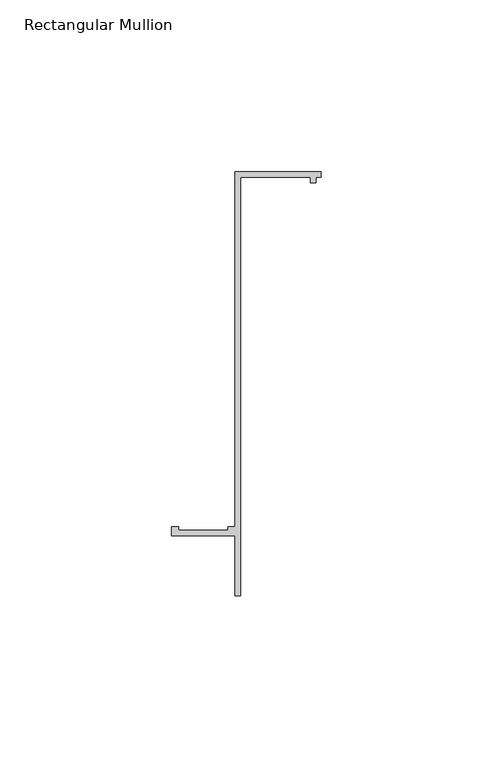
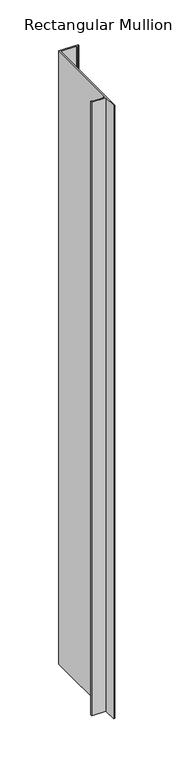
"""IFC4 building model written with IfcOpenShell, lengths in millimetres: member geometry, Rectangular Mullion."""

import ifcopenshell
import ifcopenshell.guid

model = None  # the IFC model being written
_history = None  # IfcOwnerHistory: only IFC2X3 demands one
_inside = {}  # id of a spatial element -> (the spatial element, [elements in it])
_under = {}  # id of a project, library or spatial element -> (it, [spatial elements below it])
_declared = {}  # id of a project -> (the project, [libraries it declares])
_typed = {}  # id of a type object -> (the type object, [elements of that type])
_made_of = {}  # id of a material, layer set ... -> (it, [elements and type objects made of it])


def new_model(schema):
    """Start an empty IFC model of exactly this schema.

    Asked for "IFC4X3", IfcOpenShell would pick the latest addendum, in which some entities
    have other attributes; the version numbers below select the first issue.
    IFC2X3 requires an IfcOwnerHistory on every rooted entity: one is made here for all.
    """
    global model, _history
    if schema == "IFC4X3":
        model = ifcopenshell.file(schema_version=(4, 3, 0, 0))
    else:
        model = ifcopenshell.file(schema=schema)
    _inside.clear()
    _under.clear()
    _declared.clear()
    _typed.clear()
    _made_of.clear()
    _history = None
    if model.schema == "IFC2X3":
        org = make("IfcOrganization", Name="unknown")
        user = make(
            "IfcPersonAndOrganization",
            ThePerson=make("IfcPerson", FamilyName="unknown"),
            TheOrganization=org,
        )
        app = make(
            "IfcApplication",
            ApplicationDeveloper=org,
            Version="unknown",
            ApplicationFullName="unknown",
            ApplicationIdentifier="unknown",
        )
        _history = make(
            "IfcOwnerHistory",
            OwningUser=user,
            OwningApplication=app,
            ChangeAction="ADDED",
            CreationDate=0,
        )
    return model


def make(cls, **values):
    """One entity of the class cls with the attributes given. An attribute that is None is left unset."""
    return model.create_entity(
        cls, **{name: value for name, value in values.items() if value is not None}
    )


def rooted(cls, **values):
    """An entity with a GlobalId (a new one), such as an element, a storey or a relation."""
    return make(cls, GlobalId=ifcopenshell.guid.new(), OwnerHistory=_history, **values)


def si_unit(unit_type, name, prefix=None):
    """IfcSIUnit, for example si_unit("LENGTHUNIT", "METRE", prefix="MILLI")."""
    return make("IfcSIUnit", UnitType=unit_type, Prefix=prefix, Name=name)


def assignment(units):
    """IfcUnitAssignment: the units of a project."""
    return None if units is None else make("IfcUnitAssignment", Units=units)


def point(xyz):
    """IfcCartesianPoint."""
    return None if xyz is None else make("IfcCartesianPoint", Coordinates=xyz)


def direction(xyz):
    """IfcDirection."""
    return None if xyz is None else make("IfcDirection", DirectionRatios=xyz)


def frame(location, z_axis=None, x_axis=None):
    """IfcAxis2Placement3D, a coordinate frame: its origin and axes. An axis left out is left unset."""
    return make(
        "IfcAxis2Placement3D",
        Location=point(location),
        Axis=direction(z_axis),
        RefDirection=direction(x_axis),
    )


def origin():
    """The frame at (0, 0, 0) with its axes left unset."""
    return frame((0.0, 0.0, 0.0))


def place(relative_to, where):
    """IfcLocalPlacement: puts the frame where relative to a parent placement (None: the world)."""
    return make(
        "IfcLocalPlacement", PlacementRelTo=relative_to, RelativePlacement=where
    )


def context(
    kind, dimensions, precision=None, world=None, true_north=None, identifier=None
):
    """IfcGeometricRepresentationContext, for example the 3D "Model" context."""
    return make(
        "IfcGeometricRepresentationContext",
        ContextIdentifier=identifier,
        ContextType=kind,
        CoordinateSpaceDimension=dimensions,
        Precision=precision,
        WorldCoordinateSystem=world,
        TrueNorth=true_north,
    )


def project(units=None, contexts=None):
    """IfcProject with its units and contexts."""
    return rooted(
        "IfcProject",
        Name="project",
        RepresentationContexts=contexts,
        UnitsInContext=assignment(units),
    )


def spatial(cls, under=None, at=None, **own):
    """A site, building, storey or space (cls), placed at a placement, below another one or the project."""
    s = rooted(cls, ObjectPlacement=at, **own)
    if under is not None:
        _under.setdefault(under.id(), (under, []))[1].append(s)
    return s


def polyline(points):
    """IfcPolyline through the points."""
    return make("IfcPolyline", Points=[point(p) for p in points])


def outline(outer, holes=None, kind="AREA"):
    """IfcArbitraryClosedProfileDef: a profile drawn as a closed curve; with holes, ...WithVoids."""
    if holes is None:
        return make("IfcArbitraryClosedProfileDef", ProfileType=kind, OuterCurve=outer)
    return make(
        "IfcArbitraryProfileDefWithVoids",
        ProfileType=kind,
        OuterCurve=outer,
        InnerCurves=holes,
    )


def extrude(swept, where, along, depth):
    """IfcExtrudedAreaSolid: the profile swept, set in the frame where, extruded along a direction by depth."""
    return make(
        "IfcExtrudedAreaSolid",
        SweptArea=swept,
        Position=where,
        ExtrudedDirection=direction(along),
        Depth=depth,
    )


def shape(context_of_items, identifier, shape_type, items):
    """IfcShapeRepresentation: the items that make up one representation, for example the "Body"."""
    return make(
        "IfcShapeRepresentation",
        ContextOfItems=context_of_items,
        RepresentationIdentifier=identifier,
        RepresentationType=shape_type,
        Items=items,
    )


def source(mapping_origin, context_of_items, identifier, shape_type, items):
    """IfcRepresentationMap: a shape defined once, which mapped items show again and again."""
    return make(
        "IfcRepresentationMap",
        MappingOrigin=mapping_origin,
        MappedRepresentation=shape(context_of_items, identifier, shape_type, items),
    )


def transform(
    local_origin,
    x_axis=None,
    y_axis=None,
    z_axis=None,
    scale=None,
    scale2=None,
    scale3=None,
    uniform=True,
):
    """IfcCartesianTransformationOperator3D, or its non-uniform kind. x_axis, y_axis, z_axis: its Axis1, 2, 3."""
    if uniform:
        return make(
            "IfcCartesianTransformationOperator3D",
            Axis1=direction(x_axis),
            Axis2=direction(y_axis),
            LocalOrigin=point(local_origin),
            Scale=scale,
            Axis3=direction(z_axis),
        )
    return make(
        "IfcCartesianTransformationOperator3DnonUniform",
        Axis1=direction(x_axis),
        Axis2=direction(y_axis),
        LocalOrigin=point(local_origin),
        Scale=scale,
        Axis3=direction(z_axis),
        Scale2=scale2,
        Scale3=scale3,
    )


def mapped(mapping_source, mapping_target):
    """IfcMappedItem: shows the shape of a source again, moved by a transform."""
    return make(
        "IfcMappedItem", MappingSource=mapping_source, MappingTarget=mapping_target
    )


def made_of(thing, what):
    """Note that an element or type object is made of a material, layer set ...; save() writes the relation."""
    if what is not None:
        _made_of.setdefault(what.id(), (what, []))[1].append(thing)
    return thing


def element(
    cls,
    number,
    at=None,
    inside=None,
    cuts=None,
    type_object=None,
    material=None,
    context=None,
    identifier="Body",
    shape_type=None,
    held_by="IfcProductDefinitionShape",
    body=None,
    shapes=None,
    **own,
):
    """One element of the class cls, such as IfcWall. Its Tag is "e" and its number.

    at: its placement. inside: the storey or other place that contains it. cuts: it is an
    opening in that element (IfcRelVoidsElement). A single representation is given by context,
    identifier, shape_type and body (its items); several are given by shapes. held_by: the class
    of the entity that holds the representations. save() writes the other relations.
    """
    e = rooted(cls, Tag="e%d" % number, ObjectPlacement=at, **own)
    if body is not None:
        shapes = [shape(context, identifier, shape_type, body)]
    if shapes is not None:
        e.Representation = make(held_by, Representations=shapes)
    if inside is not None:
        _inside.setdefault(inside.id(), (inside, []))[1].append(e)
    if cuts is not None:
        rooted(
            "IfcRelVoidsElement", RelatingBuildingElement=cuts, RelatedOpeningElement=e
        )
    if type_object is not None:
        _typed.setdefault(type_object.id(), (type_object, []))[1].append(e)
    return made_of(e, material)


def aggregate(whole, parts):
    """IfcRelAggregates: a whole, such as a stair, and the parts it consists of."""
    return rooted("IfcRelAggregates", RelatingObject=whole, RelatedObjects=parts)


def save(model, path):
    """Write the relations noted so far, then the file.

    IfcRelAggregates (storeys below a building ...), IfcRelContainedInSpatialStructure (elements
    in a storey), IfcRelDefinesByType, IfcRelAssociatesMaterial and IfcRelDeclares: one each for
    every whole, place, type object, material and project.
    """
    for whole, parts in _under.values():
        aggregate(whole, parts)
    for where, things in _inside.values():
        rooted(
            "IfcRelContainedInSpatialStructure",
            RelatedElements=things,
            RelatingStructure=where,
        )
    for kind, things in _typed.values():
        rooted("IfcRelDefinesByType", RelatedObjects=things, RelatingType=kind)
    for what, things in _made_of.values():
        rooted("IfcRelAssociatesMaterial", RelatedObjects=things, RelatingMaterial=what)
    for by, libraries in _declared.values():
        rooted("IfcRelDeclares", RelatingContext=by, RelatedDefinitions=libraries)
    model.write(path)


def rectangular_mullion_640f6d0c(model_context):
    return source(origin(), model_context, "Body", "SweptSolid", [
        extrude(outline(polyline([(2e-07, 55.1996656), (0.0, 53.5996656), (-1.4, 53.5996657), (-1.4000002, 51.9996657), (-3.0000002, 51.9996659), (-3.0, 53.5996659), (-23.4, 53.5996679), (-23.4000119, -68.0000321), (-25.0000119, -68.000032), (-25.0000102, -50.600032), (-43.4000102, -50.6000302), (-43.40001, -48.0000302), (-41.4017469, -48.0000304), (-41.4017469, -49.0000304), (-27.0000101, -49.0000318), (-27.0000101, -48.0000318), (-25.00001, -48.000032), (-24.9999998, 55.199668), (2e-07, 55.1996656)])), frame((0.0, 0.0, -840.0028067), z_axis=(0.0, 0.0, 1.0), x_axis=(1.0, 0.0, 0.0)), (0.0, 0.0, 1.0), 840.0028067),
    ])


if __name__ == "__main__":
    model = new_model("IFC4")
    model_context = context("Model", 3, world=origin())
    ifc_project = project(units=[si_unit("LENGTHUNIT", "METRE", prefix="MILLI")], contexts=[model_context])
    site = spatial("IfcSite", under=ifc_project)
    building = spatial("IfcBuilding", under=site)
    placement = place(None, origin())
    rectangular_mullion_shape = rectangular_mullion_640f6d0c(model_context)
    element("IfcMember", 1, ObjectType="Rectangular Mullion", at=placement, inside=building, context=model_context, shape_type="MappedRepresentation", body=[
        mapped(rectangular_mullion_shape, transform((0.0, 0.0, 0.0), x_axis=(1.0, 0.0, 0.0), y_axis=(0.0, 1.0, 0.0), z_axis=(0.0, 0.0, 1.0))),
    ])
    save(model, "model.ifc")
